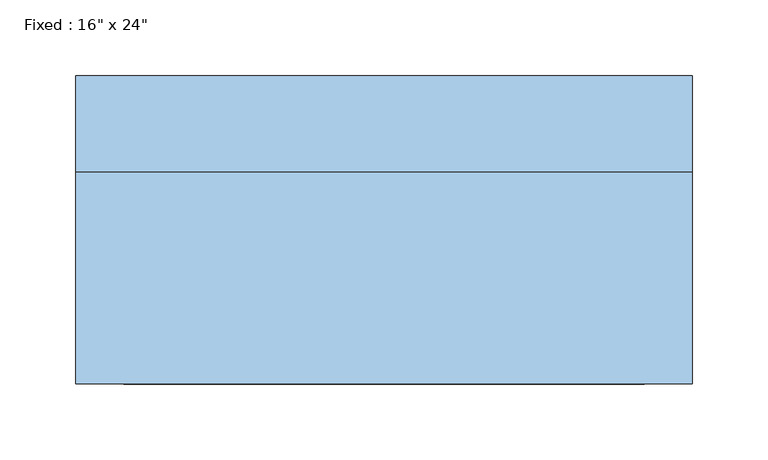
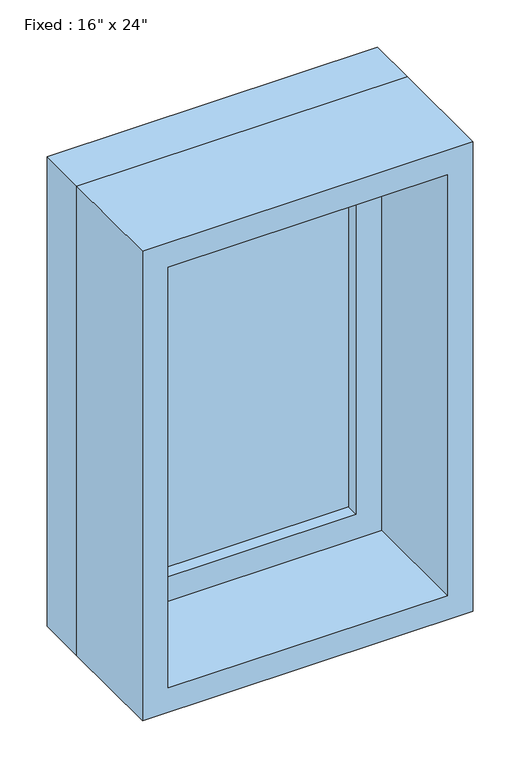
"""IFC4 building model written with IfcOpenShell, lengths in millimetres: window geometry."""

from ifc_helpers import new_model, si_unit, frame, origin, place, context, project, spatial, polyline, outline, extrude, source, transform, mapped, element, save


def window_085f26e1(model_context):
    return source(origin(), model_context, "Body", "SweptSolid", [
        extrude(outline(polyline([(101.6, 53.975), (-177.8, 53.975), (-177.8, 66.675), (101.6, 66.675), (101.6, 53.975)])), frame((0.0, 0.0, 977.9), z_axis=(0.0, 0.0, 1.0), x_axis=(1.0, 0.0, 0.0)), (0.0, 0.0, 1.0), 482.6),
        extrude(outline(polyline([(1504.95, -222.25), (933.45, -222.25), (933.45, 146.05), (1504.95, 146.05), (1504.95, -222.25)]), holes=[polyline([(1460.5, -177.8), (1460.5, 101.6), (977.9, 101.6), (977.9, -177.8), (1460.5, -177.8)])]), frame((0.0, 38.1, 0.0), z_axis=(0.0, 1.0, 0.0), x_axis=(0.0, 0.0, 1.0)), (0.0, 0.0, 1.0), 44.45),
        extrude(outline(polyline([(1524.0, -241.3), (914.4, -241.3), (914.4, 165.1), (1524.0, 165.1), (1524.0, -241.3)]), holes=[polyline([(1492.25, -209.55), (1492.25, 133.35), (946.15, 133.35), (946.15, -209.55), (1492.25, -209.55)])]), frame((0.0, -101.6, 0.0), z_axis=(0.0, 1.0, 0.0), x_axis=(0.0, 0.0, 1.0)), (0.0, 0.0, 1.0), 139.7),
        extrude(outline(polyline([(1524.0, 165.1), (1524.0, -241.3), (914.4, -241.3), (914.4, 165.1), (1524.0, 165.1)]), holes=[polyline([(1504.95, 146.05), (933.45, 146.05), (933.45, -222.25), (1504.95, -222.25), (1504.95, 146.05)])]), frame((0.0, 38.1, 0.0), z_axis=(0.0, 1.0, 0.0), x_axis=(0.0, 0.0, 1.0)), (0.0, 0.0, 1.0), 63.5),
    ])


if __name__ == "__main__":
    model = new_model("IFC4")
    model_context = context("Model", 3, world=origin())
    ifc_project = project(units=[si_unit("LENGTHUNIT", "METRE", prefix="MILLI")], contexts=[model_context])
    site = spatial("IfcSite", under=ifc_project)
    building = spatial("IfcBuilding", under=site)
    placement = place(None, origin())
    window_shape = window_085f26e1(model_context)
    element("IfcWindow", 1, ObjectType="Fixed : 16\" x 24\"", at=placement, inside=building, context=model_context, shape_type="MappedRepresentation", body=[
        mapped(window_shape, transform((0.0, 0.0, 0.0), x_axis=(1.0, 0.0, 0.0), y_axis=(0.0, 1.0, 0.0), z_axis=(0.0, 0.0, 1.0))),
    ])
    save(model, "model.ifc")
